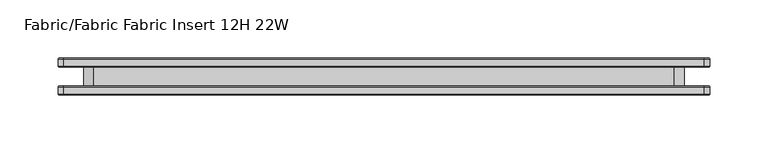
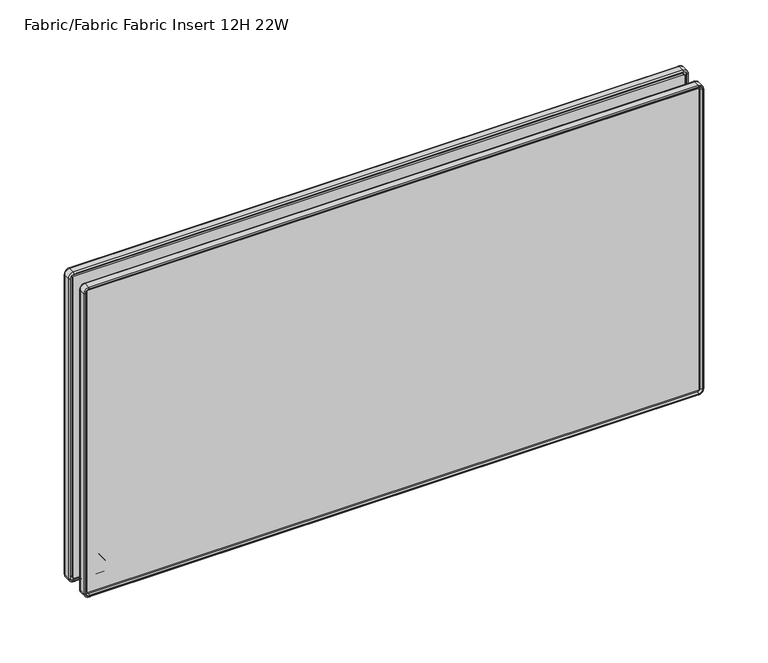
"""IFC4 building model written with IfcOpenShell, lengths in millimetres: furniture geometry, Fabric/Fabric Fabric Insert 12H 22W."""

from ifc_helpers import new_model, si_unit, point, frame, frame_2d, origin, place, context, project, spatial, polyline, circle_curve, ellipse_curve, trimmed, segment, composite_curve, outline, extrude, source, transform, mapped, element, save
from ifc_brep_helpers import plane_surface, cylinder_surface, revolved_surface, advanced_brep


def fabric_fabric_fabric_insert_12h_22w_8825d020(model_context):
    return source(origin(), model_context, "Body", "SolidModel", [
        extrude(outline(composite_curve([segment(trimmed(circle_curve(frame_2d((785.9258601, 60.6967824)), 14.2960031), [point((781.0834991, 47.2458625))], [point((772.4749402, 55.8544214))], False, "CARTESIAN"), True, "CONTINUOUS"), segment(polyline([(772.4749402, 55.8544214), (772.4749402, 553.7455786)]), True, "CONTINUOUS"), segment(trimmed(circle_curve(frame_2d((785.9258601, 548.9032176)), 14.2960031), [point((772.4749402, 553.7455786))], [point((780.5790258, 562.1616892))], False, "CARTESIAN"), True, "CONTINUOUS"), segment(polyline([(780.5790258, 562.1616892), (1019.5568063, 562.1616892)]), True, "CONTINUOUS"), segment(trimmed(circle_curve(frame_2d((1014.209972, 548.9032176)), 14.2960031), [point((1019.5568063, 562.1616892))], [point((1027.6608919, 553.7455786))], False, "CARTESIAN"), True, "CONTINUOUS"), segment(polyline([(1027.6608919, 553.7455786), (1027.6608919, 55.8544214)]), True, "CONTINUOUS"), segment(trimmed(circle_curve(frame_2d((1014.209972, 60.6967824)), 14.2960031), [point((1027.6608919, 55.8544214))], [point((1019.0523331, 47.2458625))], False, "CARTESIAN"), True, "CONTINUOUS"), segment(polyline([(1019.0523331, 47.2458625), (781.0834991, 47.2458625)]), True, "CONTINUOUS")], self_intersect=False)), frame((0.0, -7.9718968, 0.0), z_axis=(0.0, 1.0, 0.0), x_axis=(0.0, 0.0, 1.0)), (0.0, 0.0, 1.0), 15.9437935),
        extrude(outline(composite_curve([segment(trimmed(circle_curve(frame_2d((759.1475985, 29.8962491)), 0.8911416), [point((759.1475985, 29.0051075))], [point((758.256457, 29.8962491))], False, "CARTESIAN"), True, "CONTINUOUS"), segment(polyline([(758.256457, 29.8962491), (758.256457, 579.5091361)]), True, "CONTINUOUS"), segment(trimmed(circle_curve(frame_2d((759.1475985, 579.5091361)), 0.8911416), [point((758.256457, 579.5091361))], [point((759.1475985, 580.4002777))], False, "CARTESIAN"), True, "CONTINUOUS"), segment(polyline([(759.1475985, 580.4002777), (1045.010519, 580.4002777)]), True, "CONTINUOUS"), segment(trimmed(circle_curve(frame_2d((1045.010519, 579.5091361)), 0.8911416), [point((1045.010519, 580.4002777))], [point((1045.9016605, 579.5091361))], False, "CARTESIAN"), True, "CONTINUOUS"), segment(polyline([(1045.9016605, 579.5091361), (1045.9016605, 29.8962491)]), True, "CONTINUOUS"), segment(trimmed(circle_curve(frame_2d((1045.010519, 29.8962491)), 0.8911416), [point((1045.9016605, 29.8962491))], [point((1045.010519, 29.0051075))], False, "CARTESIAN"), True, "CONTINUOUS"), segment(polyline([(1045.010519, 29.0051075), (759.1475985, 29.0051075)]), True, "CONTINUOUS")], self_intersect=False)), frame((0.0, 7.9718968, 0.0), z_axis=(0.0, 1.0, 0.0), x_axis=(0.0, 0.0, 1.0)), (0.0, 0.0, 1.0), 6.1306313),
        extrude(outline(composite_curve([segment(polyline([(1045.010519, 29.0051075), (759.1475985, 29.0051075)]), True, "CONTINUOUS"), segment(trimmed(circle_curve(frame_2d((759.1475985, 29.8962491)), 0.8911416), [point((759.1475985, 29.0051075))], [point((758.256457, 29.8962491))], False, "CARTESIAN"), True, "CONTINUOUS"), segment(polyline([(758.256457, 29.8962491), (758.256457, 579.5091361)]), True, "CONTINUOUS"), segment(trimmed(circle_curve(frame_2d((759.1475985, 579.5091361)), 0.8911416), [point((758.256457, 579.5091361))], [point((759.1475985, 580.4002777))], False, "CARTESIAN"), True, "CONTINUOUS"), segment(polyline([(759.1475985, 580.4002777), (1045.010519, 580.4002777)]), True, "CONTINUOUS"), segment(trimmed(circle_curve(frame_2d((1045.010519, 579.5091361)), 0.8911416), [point((1045.010519, 580.4002777))], [point((1045.9016605, 579.5091361))], False, "CARTESIAN"), True, "CONTINUOUS"), segment(polyline([(1045.9016605, 579.5091361), (1045.9016605, 29.8962491)]), True, "CONTINUOUS"), segment(trimmed(circle_curve(frame_2d((1045.010519, 29.8962491)), 0.8911416), [point((1045.9016605, 29.8962491))], [point((1045.010519, 29.0051075))], False, "CARTESIAN"), True, "CONTINUOUS")], self_intersect=False)), frame((0.0, -14.102528, 0.0), z_axis=(0.0, 1.0, 0.0), x_axis=(0.0, 0.0, 1.0)), (0.0, 0.0, 1.0), 6.1306313),
        advanced_brep(
        [(582.9077917, -7.9718968, 759.1475985), (579.5091361, -7.9718968, 755.7489429), (579.5091361, -9.6721295, 755.7489429), (582.9077917, -9.6721295, 759.1475985), (584.0811361, -9.1452412, 759.1475985), (579.5091361, -9.1452412, 754.5755985), (584.0811361, -14.9826968, 759.1475985), (579.5091361, -14.9826968, 754.5755985), (583.2667038, -15.7971292, 759.1475985), (579.5091361, -15.7971292, 755.3900309), (580.4002777, -9.6721295, 759.1475985), (579.5091361, -9.6721295, 758.256457), (579.5091361, -14.102528, 758.256457), (580.4002777, -14.102528, 759.1475985), (582.9077917, -9.6721295, 1045.010519), (582.9077917, -7.9718968, 1045.010519), (584.0811361, -9.1452412, 1045.010519), (584.0811361, -14.9826968, 1045.010519), (583.2667038, -15.7971292, 1045.010519), (580.4002777, -14.102528, 1045.010519), (580.4002777, -9.6721295, 1045.010519), (579.5091361, -7.9718968, 1048.4091746), (579.5091361, -9.6721295, 1048.4091746), (579.5091361, -9.1452412, 1049.582519), (579.5091361, -14.9826968, 1049.582519), (579.5091361, -15.7971292, 1048.7680866), (579.5091361, -9.6721295, 1045.9016605), (579.5091361, -14.102528, 1045.9016605), (29.8962491, -9.6721295, 1048.4091746), (29.8962491, -7.9718968, 1048.4091746), (29.8962491, -9.1452412, 1049.582519), (29.8962491, -14.9826968, 1049.582519), (29.8962491, -15.7971292, 1048.7680866), (29.8962491, -14.102528, 1045.9016605), (29.8962491, -9.6721295, 1045.9016605), (26.4975935, -7.9718968, 1045.010519), (26.4975935, -9.6721295, 1045.010519), (25.3242491, -9.1452412, 1045.010519), (25.3242491, -14.9826968, 1045.010519), (26.1386815, -15.7971292, 1045.010519), (29.0051075, -9.6721295, 1045.010519), (29.0051075, -14.102528, 1045.010519), (26.4975935, -9.6721295, 759.1475985), (26.4975935, -7.9718968, 759.1475985), (25.3242491, -9.1452412, 759.1475985), (25.3242491, -14.9826968, 759.1475985), (26.1386815, -15.7971292, 759.1475985), (29.0051075, -14.102528, 759.1475985), (29.0051075, -9.6721295, 759.1475985), (29.8962491, -7.9718968, 755.7489429), (29.8962491, -9.6721295, 755.7489429), (29.8962491, -9.1452412, 754.5755985), (29.8962491, -14.9826968, 754.5755985), (29.8962491, -15.7971292, 755.3900309), (29.8962491, -9.6721295, 758.256457), (29.8962491, -14.102528, 758.256457), (579.5091361, -15.7971292, 756.2425504), (29.8962491, -15.7971292, 756.2425504), (26.991201, -15.7971292, 759.1475985), (26.991201, -15.7971292, 1045.010519), (29.8962491, -15.7971292, 1047.9155671), (579.5091361, -15.7971292, 1047.9155671), (582.4141842, -15.7971292, 1045.010519), (582.4141842, -15.7971292, 759.1475985), (581.7973998, -14.102528, 759.1475985), (579.5091361, -14.102528, 756.8593348), (581.7973998, -14.102528, 1045.010519), (579.5091361, -14.102528, 1047.2987827), (29.8962491, -14.102528, 1047.2987827), (27.6079854, -14.102528, 1045.010519), (27.6079854, -14.102528, 759.1475985), (29.8962491, -14.102528, 756.8593348)],
        [
            (0, 1, circle_curve(frame((579.5091361, -7.9718968, 759.1475985), z_axis=(0.0, 1.0, 0.0), x_axis=(0.0, 0.0, -1.0)), 3.3986556)),
            (1, 2),
            (2, 3, circle_curve(frame((579.5091361, -9.6721295, 759.1475985), z_axis=(0.0, -1.0, 0.0), x_axis=(0.0, 0.0, -1.0)), 3.3986556)),
            (3, 0),
            (4, 5, circle_curve(frame((579.5091361, -9.1452412, 759.1475985), z_axis=(0.0, 1.0, 0.0), x_axis=(0.0, 0.0, -1.0)), 4.572)),
            (5, 1, circle_curve(frame((579.5091361, -9.1452412, 755.7489429), z_axis=(1.0, 0.0, 0.0), x_axis=(0.0, 0.0, 1.0)), 1.1733444)),
            (0, 4, circle_curve(frame((582.9077917, -9.1452412, 759.1475985), z_axis=(0.0, 0.0, -1.0), x_axis=(-1.0, 0.0, 0.0)), 1.1733444)),
            (6, 7, circle_curve(frame((579.5091361, -14.9826968, 759.1475985), z_axis=(0.0, 1.0, 0.0), x_axis=(0.0, 0.0, -1.0)), 4.572)),
            (7, 5),
            (4, 6),
            (8, 9, circle_curve(frame((579.5091361, -15.7971292, 759.1475985), z_axis=(0.0, 1.0, 0.0), x_axis=(0.0, 0.0, -1.0)), 3.7575676)),
            (9, 7, circle_curve(frame((579.5091361, -14.9826968, 755.3900309), z_axis=(1.0, 0.0, 0.0), x_axis=(0.0, 0.0, 1.0)), 0.8144324)),
            (6, 8, circle_curve(frame((583.2667038, -14.9826968, 759.1475985), z_axis=(0.0, 0.0, -1.0), x_axis=(-1.0, 0.0, 0.0)), 0.8144324)),
            (10, 11, circle_curve(frame((579.5091361, -9.6721295, 759.1475985), z_axis=(0.0, 1.0, 0.0), x_axis=(0.0, 0.0, -1.0)), 0.8911416)),
            (11, 12),
            (12, 13, circle_curve(frame((579.5091361, -14.102528, 759.1475985), z_axis=(0.0, -1.0, 0.0), x_axis=(0.0, 0.0, -1.0)), 0.8911416)),
            (13, 10),
            (3, 14),
            (14, 15),
            (15, 0),
            (15, 16, circle_curve(frame((582.9077917, -9.1452412, 1045.010519), z_axis=(0.0, 0.0, -1.0), x_axis=(-1.0, 0.0, 0.0)), 1.1733444)),
            (16, 4),
            (16, 17),
            (17, 6),
            (17, 18, circle_curve(frame((583.2667038, -14.9826968, 1045.010519), z_axis=(0.0, 0.0, -1.0), x_axis=(-1.0, 0.0, 0.0)), 0.8144324)),
            (18, 8),
            (13, 19),
            (19, 20),
            (20, 10),
            (21, 15, circle_curve(frame((579.5091361, -7.9718968, 1045.010519), z_axis=(0.0, 1.0, 0.0), x_axis=(1.0, 0.0, 0.0)), 3.3986556)),
            (14, 22, circle_curve(frame((579.5091361, -9.6721295, 1045.010519), z_axis=(0.0, -1.0, 0.0), x_axis=(1.0, 0.0, 0.0)), 3.3986556)),
            (22, 21),
            (23, 16, circle_curve(frame((579.5091361, -9.1452412, 1045.010519), z_axis=(0.0, 1.0, 0.0), x_axis=(1.0, 0.0, 0.0)), 4.572)),
            (21, 23, circle_curve(frame((579.5091361, -9.1452412, 1048.4091746), z_axis=(1.0, 0.0, 0.0), x_axis=(0.0, 0.0, -1.0)), 1.1733444)),
            (24, 17, circle_curve(frame((579.5091361, -14.9826968, 1045.010519), z_axis=(0.0, 1.0, 0.0), x_axis=(1.0, 0.0, 0.0)), 4.572)),
            (23, 24),
            (25, 18, circle_curve(frame((579.5091361, -15.7971292, 1045.010519), z_axis=(0.0, 1.0, 0.0), x_axis=(1.0, 0.0, 0.0)), 3.7575676)),
            (24, 25, circle_curve(frame((579.5091361, -14.9826968, 1048.7680866), z_axis=(1.0, 0.0, 0.0), x_axis=(0.0, 0.0, -1.0)), 0.8144324)),
            (26, 20, circle_curve(frame((579.5091361, -9.6721295, 1045.010519), z_axis=(0.0, 1.0, 0.0), x_axis=(1.0, 0.0, 0.0)), 0.8911416)),
            (19, 27, circle_curve(frame((579.5091361, -14.102528, 1045.010519), z_axis=(0.0, -1.0, 0.0), x_axis=(1.0, 0.0, 0.0)), 0.8911416)),
            (27, 26),
            (22, 28),
            (28, 29),
            (29, 21),
            (29, 30, circle_curve(frame((29.8962491, -9.1452412, 1048.4091746), z_axis=(1.0, 0.0, 0.0), x_axis=(0.0, 0.0, -1.0)), 1.1733444)),
            (30, 23),
            (30, 31),
            (31, 24),
            (31, 32, circle_curve(frame((29.8962491, -14.9826968, 1048.7680866), z_axis=(1.0, 0.0, 0.0), x_axis=(0.0, 0.0, -1.0)), 0.8144324)),
            (32, 25),
            (27, 33),
            (33, 34),
            (34, 26),
            (35, 29, circle_curve(frame((29.8962491, -7.9718968, 1045.010519), z_axis=(0.0, 1.0, 0.0), x_axis=(0.0, 0.0, 1.0)), 3.3986556)),
            (28, 36, circle_curve(frame((29.8962491, -9.6721295, 1045.010519), z_axis=(0.0, -1.0, 0.0), x_axis=(0.0, 0.0, 1.0)), 3.3986556)),
            (36, 35),
            (37, 30, circle_curve(frame((29.8962491, -9.1452412, 1045.010519), z_axis=(0.0, 1.0, 0.0), x_axis=(0.0, 0.0, 1.0)), 4.572)),
            (35, 37, circle_curve(frame((26.4975935, -9.1452412, 1045.010519), z_axis=(0.0, 0.0, 1.0), x_axis=(1.0, 0.0, 0.0)), 1.1733444)),
            (38, 31, circle_curve(frame((29.8962491, -14.9826968, 1045.010519), z_axis=(0.0, 1.0, 0.0), x_axis=(0.0, 0.0, 1.0)), 4.572)),
            (37, 38),
            (39, 32, circle_curve(frame((29.8962491, -15.7971292, 1045.010519), z_axis=(0.0, 1.0, 0.0), x_axis=(0.0, 0.0, 1.0)), 3.7575676)),
            (38, 39, circle_curve(frame((26.1386815, -14.9826968, 1045.010519), z_axis=(0.0, 0.0, 1.0), x_axis=(1.0, 0.0, 0.0)), 0.8144324)),
            (40, 34, circle_curve(frame((29.8962491, -9.6721295, 1045.010519), z_axis=(0.0, 1.0, 0.0), x_axis=(0.0, 0.0, 1.0)), 0.8911416)),
            (33, 41, circle_curve(frame((29.8962491, -14.102528, 1045.010519), z_axis=(0.0, -1.0, 0.0), x_axis=(0.0, 0.0, 1.0)), 0.8911416)),
            (41, 40),
            (36, 42),
            (42, 43),
            (43, 35),
            (43, 44, circle_curve(frame((26.4975935, -9.1452412, 759.1475985), z_axis=(0.0, 0.0, 1.0), x_axis=(1.0, 0.0, 0.0)), 1.1733444)),
            (44, 37),
            (44, 45),
            (45, 38),
            (45, 46, circle_curve(frame((26.1386815, -14.9826968, 759.1475985), z_axis=(0.0, 0.0, 1.0), x_axis=(1.0, 0.0, 0.0)), 0.8144324)),
            (46, 39),
            (41, 47),
            (47, 48),
            (48, 40),
            (49, 43, circle_curve(frame((29.8962491, -7.9718968, 759.1475985), z_axis=(0.0, 1.0, 0.0), x_axis=(-1.0, 0.0, 0.0)), 3.3986556)),
            (42, 50, circle_curve(frame((29.8962491, -9.6721295, 759.1475985), z_axis=(0.0, -1.0, 0.0), x_axis=(-1.0, 0.0, 0.0)), 3.3986556)),
            (50, 49),
            (51, 44, circle_curve(frame((29.8962491, -9.1452412, 759.1475985), z_axis=(0.0, 1.0, 0.0), x_axis=(-1.0, 0.0, 0.0)), 4.572)),
            (49, 51, circle_curve(frame((29.8962491, -9.1452412, 755.7489429), z_axis=(-1.0, 0.0, 0.0), x_axis=(0.0, 0.0, 1.0)), 1.1733444)),
            (52, 45, circle_curve(frame((29.8962491, -14.9826968, 759.1475985), z_axis=(0.0, 1.0, 0.0), x_axis=(-1.0, 0.0, 0.0)), 4.572)),
            (51, 52),
            (53, 46, circle_curve(frame((29.8962491, -15.7971292, 759.1475985), z_axis=(0.0, 1.0, 0.0), x_axis=(-1.0, 0.0, 0.0)), 3.7575676)),
            (52, 53, circle_curve(frame((29.8962491, -14.9826968, 755.3900309), z_axis=(-1.0, 0.0, 0.0), x_axis=(0.0, 0.0, 1.0)), 0.8144324)),
            (54, 48, circle_curve(frame((29.8962491, -9.6721295, 759.1475985), z_axis=(0.0, 1.0, 0.0), x_axis=(-1.0, 0.0, 0.0)), 0.8911416)),
            (47, 55, circle_curve(frame((29.8962491, -14.102528, 759.1475985), z_axis=(0.0, -1.0, 0.0), x_axis=(-1.0, 0.0, 0.0)), 0.8911416)),
            (55, 54),
            (2, 50),
            (54, 11),
            (1, 49),
            (5, 51),
            (7, 52),
            (9, 53),
            (56, 57),
            (57, 58, circle_curve(frame((29.8962491, -15.7971292, 759.1475985), z_axis=(0.0, 1.0, 0.0), x_axis=(-1.0, 0.0, 0.0)), 2.9050481)),
            (58, 59),
            (59, 60, circle_curve(frame((29.8962491, -15.7971292, 1045.010519), z_axis=(0.0, 1.0, 0.0), x_axis=(0.0, 0.0, 1.0)), 2.9050481)),
            (60, 61),
            (61, 62, circle_curve(frame((579.5091361, -15.7971292, 1045.010519), z_axis=(0.0, 1.0, 0.0), x_axis=(1.0, 0.0, 0.0)), 2.9050481)),
            (62, 63),
            (63, 56, circle_curve(frame((579.5091361, -15.7971292, 759.1475985), z_axis=(0.0, 1.0, 0.0), x_axis=(0.0, 0.0, -1.0)), 2.9050481)),
            (55, 12),
            (64, 65, circle_curve(frame((579.5091361, -14.102528, 759.1475985), z_axis=(0.0, 1.0, 0.0), x_axis=(0.0, 0.0, -1.0)), 2.2882637)),
            (65, 56),
            (63, 64),
            (62, 66),
            (66, 64),
            (67, 66, circle_curve(frame((579.5091361, -14.102528, 1045.010519), z_axis=(0.0, 1.0, 0.0), x_axis=(1.0, 0.0, 0.0)), 2.2882637)),
            (61, 67),
            (60, 68),
            (68, 67),
            (69, 68, circle_curve(frame((29.8962491, -14.102528, 1045.010519), z_axis=(0.0, 1.0, 0.0), x_axis=(0.0, 0.0, 1.0)), 2.2882637)),
            (59, 69),
            (58, 70),
            (70, 69),
            (71, 70, circle_curve(frame((29.8962491, -14.102528, 759.1475985), z_axis=(0.0, 1.0, 0.0), x_axis=(-1.0, 0.0, 0.0)), 2.2882637)),
            (57, 71),
            (65, 71),
        ],
        [
            revolved_surface(polyline([(579.5091361, -9.6721295, 755.7489429), (579.5091361, -7.9718968, 755.7489429)]), (579.5091361, 0.0, 759.1475985), (0.0, -1.0, 0.0)),
            revolved_surface(trimmed(ellipse_curve(frame((579.5091361, -9.1452412, 755.7489429), z_axis=(-1.0, 0.0, 0.0), x_axis=(0.0, 0.0, 1.0)), 1.1733444, 1.1733444), [point((579.5091361, -7.9718968, 755.7489429))], [point((579.5091361, -9.1452412, 754.5755985))], True, "CARTESIAN"), (579.5091361, 0.0, 759.1475985), (0.0, -1.0, 0.0)),
            cylinder_surface(frame((579.5091361, 0.0, 759.1475985), z_axis=(0.0, -1.0, 0.0), x_axis=(0.0, 0.0, -1.0)), 4.572),
            revolved_surface(trimmed(ellipse_curve(frame((579.5091361, -14.9826968, 755.3900309), z_axis=(-1.0, 0.0, 0.0), x_axis=(0.0, 0.0, 1.0)), 0.8144324, 0.8144324), [point((579.5091361, -14.9826968, 754.5755985))], [point((579.5091361, -15.7971292, 755.3900309))], True, "CARTESIAN"), (579.5091361, 0.0, 759.1475985), (0.0, -1.0, 0.0)),
            revolved_surface(polyline([(579.5091361, -14.102528, 758.2564569), (579.5091361, -9.6721295, 758.2564569)]), (579.5091361, 0.0, 759.1475985), (0.0, -1.0, 0.0)),
            plane_surface(frame((582.9077917, -9.6721295, 759.1475985), z_axis=(-1.0, 0.0, 0.0), x_axis=(0.0, 0.0, 1.0))),
            cylinder_surface(frame((582.9077917, -9.1452412, 759.1475985), z_axis=(0.0, 0.0, -1.0), x_axis=(-1.0, 0.0, 0.0)), 1.1733444),
            plane_surface(frame((584.0811361, -9.1452412, 759.1475985), z_axis=(1.0, 0.0, 0.0), x_axis=(0.0, 0.0, 1.0))),
            cylinder_surface(frame((583.2667038, -14.9826968, 759.1475985), z_axis=(0.0, 0.0, -1.0), x_axis=(-1.0, 0.0, 0.0)), 0.8144324),
            plane_surface(frame((580.4002777, -14.102528, 759.1475985), z_axis=(-1.0, 0.0, 0.0), x_axis=(0.0, 0.0, 1.0))),
            revolved_surface(polyline([(582.9077917, -9.6721295, 1045.010519), (582.9077917, -7.9718968, 1045.010519)]), (579.5091361, 0.0, 1045.010519), (0.0, -1.0, 0.0)),
            revolved_surface(trimmed(ellipse_curve(frame((582.9077917, -9.1452412, 1045.010519), z_axis=(0.0, 0.0, -1.0), x_axis=(-1.0, 0.0, 0.0)), 1.1733444, 1.1733444), [point((582.9077917, -7.9718968, 1045.010519))], [point((584.0811361, -9.1452412, 1045.010519))], True, "CARTESIAN"), (579.5091361, 0.0, 1045.010519), (0.0, -1.0, 0.0)),
            cylinder_surface(frame((579.5091361, 0.0, 1045.010519), z_axis=(0.0, -1.0, 0.0), x_axis=(1.0, 0.0, 0.0)), 4.572),
            revolved_surface(trimmed(ellipse_curve(frame((583.2667038, -14.9826968, 1045.010519), z_axis=(0.0, 0.0, -1.0), x_axis=(-1.0, 0.0, 0.0)), 0.8144324, 0.8144324), [point((584.0811361, -14.9826968, 1045.010519))], [point((583.2667038, -15.7971292, 1045.010519))], True, "CARTESIAN"), (579.5091361, 0.0, 1045.010519), (0.0, -1.0, 0.0)),
            revolved_surface(polyline([(580.4002777, -14.102528, 1045.010519), (580.4002777, -9.6721295, 1045.010519)]), (579.5091361, 0.0, 1045.010519), (0.0, -1.0, 0.0)),
            plane_surface(frame((579.5091361, -9.6721295, 1048.4091746), z_axis=(0.0, 0.0, -1.0), x_axis=(-1.0, 0.0, 0.0))),
            cylinder_surface(frame((579.5091361, -9.1452412, 1048.4091746), z_axis=(1.0, 0.0, 0.0), x_axis=(0.0, 0.0, -1.0)), 1.1733444),
            plane_surface(frame((579.5091361, -9.1452412, 1049.582519), z_axis=(0.0, 0.0, 1.0), x_axis=(-1.0, 0.0, 0.0))),
            cylinder_surface(frame((579.5091361, -14.9826968, 1048.7680866), z_axis=(1.0, 0.0, 0.0), x_axis=(0.0, 0.0, -1.0)), 0.8144324),
            plane_surface(frame((579.5091361, -14.102528, 1045.9016605), z_axis=(0.0, 0.0, -1.0), x_axis=(-1.0, 0.0, 0.0))),
            revolved_surface(polyline([(29.8962491, -9.6721295, 1048.4091746), (29.8962491, -7.9718968, 1048.4091746)]), (29.8962491, 0.0, 1045.010519), (0.0, -1.0, 0.0)),
            revolved_surface(trimmed(ellipse_curve(frame((29.8962491, -9.1452412, 1048.4091746), z_axis=(1.0, 0.0, 0.0), x_axis=(0.0, 0.0, -1.0)), 1.1733444, 1.1733444), [point((29.8962491, -7.9718968, 1048.4091746))], [point((29.8962491, -9.1452412, 1049.582519))], True, "CARTESIAN"), (29.8962491, 0.0, 1045.010519), (0.0, -1.0, 0.0)),
            cylinder_surface(frame((29.8962491, 0.0, 1045.010519), z_axis=(0.0, -1.0, 0.0), x_axis=(0.0, 0.0, 1.0)), 4.572),
            revolved_surface(trimmed(ellipse_curve(frame((29.8962491, -14.9826968, 1048.7680866), z_axis=(1.0, 0.0, 0.0), x_axis=(0.0, 0.0, -1.0)), 0.8144324, 0.8144324), [point((29.8962491, -14.9826968, 1049.582519))], [point((29.8962491, -15.7971292, 1048.7680866))], True, "CARTESIAN"), (29.8962491, 0.0, 1045.010519), (0.0, -1.0, 0.0)),
            revolved_surface(polyline([(29.8962491, -14.102528, 1045.9016606), (29.8962491, -9.6721295, 1045.9016606)]), (29.8962491, 0.0, 1045.010519), (0.0, -1.0, 0.0)),
            plane_surface(frame((26.4975935, -9.6721295, 1045.010519), z_axis=(1.0, 0.0, 0.0), x_axis=(0.0, 0.0, -1.0))),
            cylinder_surface(frame((26.4975935, -9.1452412, 1045.010519), z_axis=(0.0, 0.0, 1.0), x_axis=(1.0, 0.0, 0.0)), 1.1733444),
            plane_surface(frame((25.3242491, -9.1452412, 1045.010519), z_axis=(-1.0, 0.0, 0.0), x_axis=(0.0, 0.0, -1.0))),
            cylinder_surface(frame((26.1386815, -14.9826968, 1045.010519), z_axis=(0.0, 0.0, 1.0), x_axis=(1.0, 0.0, 0.0)), 0.8144324),
            plane_surface(frame((29.0051075, -14.102528, 1045.010519), z_axis=(1.0, 0.0, 0.0), x_axis=(0.0, 0.0, -1.0))),
            revolved_surface(polyline([(26.497593499999997, -9.6721295, 759.1475985), (26.497593499999997, -7.9718968, 759.1475985)]), (29.8962491, 0.0, 759.1475985), (0.0, -1.0, 0.0)),
            revolved_surface(trimmed(ellipse_curve(frame((26.4975935, -9.1452412, 759.1475985), z_axis=(0.0, 0.0, 1.0), x_axis=(1.0, 0.0, 0.0)), 1.1733444, 1.1733444), [point((26.4975935, -7.9718968, 759.1475985))], [point((25.3242491, -9.1452412, 759.1475985))], True, "CARTESIAN"), (29.8962491, 0.0, 759.1475985), (0.0, -1.0, 0.0)),
            cylinder_surface(frame((29.8962491, 0.0, 759.1475985), z_axis=(0.0, -1.0, 0.0), x_axis=(-1.0, 0.0, 0.0)), 4.572),
            revolved_surface(trimmed(ellipse_curve(frame((26.1386815, -14.9826968, 759.1475985), z_axis=(0.0, 0.0, 1.0), x_axis=(1.0, 0.0, 0.0)), 0.8144324, 0.8144324), [point((25.3242491, -14.9826968, 759.1475985))], [point((26.1386815, -15.7971292, 759.1475985))], True, "CARTESIAN"), (29.8962491, 0.0, 759.1475985), (0.0, -1.0, 0.0)),
            revolved_surface(polyline([(29.005107499999998, -14.102528, 759.1475985), (29.005107499999998, -9.6721295, 759.1475985)]), (29.8962491, 0.0, 759.1475985), (0.0, -1.0, 0.0)),
            plane_surface(frame((29.8962491, -9.6721295, 758.256457), z_axis=(0.0, 1.0, 0.0), x_axis=(1.0, 0.0, 0.0))),
            plane_surface(frame((29.8962491, -9.6721295, 755.7489429), z_axis=(0.0, 0.0, 1.0), x_axis=(1.0, 0.0, 0.0))),
            cylinder_surface(frame((29.8962491, -9.1452412, 755.7489429), z_axis=(-1.0, 0.0, 0.0), x_axis=(0.0, 0.0, 1.0)), 1.1733444),
            plane_surface(frame((29.8962491, -9.1452412, 754.5755985), z_axis=(0.0, 0.0, -1.0), x_axis=(1.0, 0.0, 0.0))),
            cylinder_surface(frame((29.8962491, -14.9826968, 755.3900309), z_axis=(-1.0, 0.0, 0.0), x_axis=(0.0, 0.0, 1.0)), 0.8144324),
            plane_surface(frame((29.8962491, -15.7971292, 755.3900309), z_axis=(0.0, -1.0, 0.0), x_axis=(1.0, 0.0, 0.0))),
            plane_surface(frame((29.8962491, -14.102528, 758.256457), z_axis=(0.0, 0.0, 1.0), x_axis=(1.0, 0.0, 0.0))),
            revolved_surface(polyline([(579.5091361, -15.7971292, 756.2425504), (579.5091361, -14.102528, 756.8593348)]), (579.5091361, 0.0, 759.1475985), (0.0, -1.0, 0.0)),
            plane_surface(frame((582.4141842, -15.7971292, 759.1475985), z_axis=(-0.9396926207859183, -0.34202014332564146, 0.0), x_axis=(0.0, 0.0, 1.0))),
            revolved_surface(polyline([(582.4141842, -15.7971292, 1045.010519), (581.7973998, -14.102528, 1045.010519)]), (579.5091361, 0.0, 1045.010519), (0.0, -1.0, 0.0)),
            plane_surface(frame((579.5091361, -15.7971292, 1047.9155671), z_axis=(0.0, -0.34202014332564146, -0.9396926207859183), x_axis=(-1.0, 0.0, 0.0))),
            revolved_surface(polyline([(29.8962491, -15.7971292, 1047.9155671), (29.8962491, -14.102528, 1047.2987827)]), (29.8962491, 0.0, 1045.010519), (0.0, -1.0, 0.0)),
            plane_surface(frame((26.991201, -15.7971292, 1045.010519), z_axis=(0.9396926207859183, -0.34202014332564146, 0.0), x_axis=(0.0, 0.0, -1.0))),
            revolved_surface(polyline([(26.991201, -15.7971292, 759.1475985), (27.6079854, -14.102528, 759.1475985)]), (29.8962491, 0.0, 759.1475985), (0.0, -1.0, 0.0)),
            plane_surface(frame((29.8962491, -15.7971292, 756.2425504), z_axis=(0.0, -0.34202014332564146, 0.9396926207859183), x_axis=(1.0, 0.0, 0.0))),
            plane_surface(frame((29.8962491, -14.102528, 756.8593348), z_axis=(0.0, -1.0, 0.0), x_axis=(1.0, 0.0, 0.0))),
        ],
        [
            (0, [[1, 2, 3, 4]]),
            (1, [[5, 6, -1, 7]]),
            (2, [[8, 9, -5, 10]]),
            (3, [[11, 12, -8, 13]]),
            (4, [[14, 15, 16, 17]]),
            (5, [[-4, 18, 19, 20]]),
            (6, [[-7, -20, 21, 22]]),
            (7, [[-10, -22, 23, 24]]),
            (8, [[-13, -24, 25, 26]]),
            (9, [[-17, 27, 28, 29]]),
            (10, [[30, -19, 31, 32]]),
            (11, [[33, -21, -30, 34]]),
            (12, [[35, -23, -33, 36]]),
            (13, [[37, -25, -35, 38]]),
            (14, [[39, -28, 40, 41]]),
            (15, [[-32, 42, 43, 44]]),
            (16, [[-34, -44, 45, 46]]),
            (17, [[-36, -46, 47, 48]]),
            (18, [[-38, -48, 49, 50]]),
            (19, [[-41, 51, 52, 53]]),
            (20, [[54, -43, 55, 56]]),
            (21, [[57, -45, -54, 58]]),
            (22, [[59, -47, -57, 60]]),
            (23, [[61, -49, -59, 62]]),
            (24, [[63, -52, 64, 65]]),
            (25, [[-56, 66, 67, 68]]),
            (26, [[-58, -68, 69, 70]]),
            (27, [[-60, -70, 71, 72]]),
            (28, [[-62, -72, 73, 74]]),
            (29, [[-65, 75, 76, 77]]),
            (30, [[78, -67, 79, 80]]),
            (31, [[81, -69, -78, 82]]),
            (32, [[83, -71, -81, 84]]),
            (33, [[85, -73, -83, 86]]),
            (34, [[87, -76, 88, 89]]),
            (35, [[90, -79, -66, -55, -42, -31, -18, -3], [-77, -87, 91, -14, -29, -39, -53, -63]]),
            (36, [[-80, -90, -2, 92]]),
            (37, [[-82, -92, -6, 93]]),
            (38, [[-84, -93, -9, 94]]),
            (39, [[-86, -94, -12, 95]]),
            (40, [[-74, -85, -95, -11, -26, -37, -50, -61], [96, 97, 98, 99, 100, 101, 102, 103]]),
            (41, [[-89, 104, -15, -91]]),
            (42, [[105, 106, -103, 107]]),
            (43, [[-107, -102, 108, 109]]),
            (44, [[110, -108, -101, 111]]),
            (45, [[-111, -100, 112, 113]]),
            (46, [[114, -112, -99, 115]]),
            (47, [[-115, -98, 116, 117]]),
            (48, [[118, -116, -97, 119]]),
            (49, [[-119, -96, -106, 120]]),
            (50, [[-117, -118, -120, -105, -109, -110, -113, -114], [-104, -88, -75, -64, -51, -40, -27, -16]]),
        ],
    ),
        advanced_brep(
        [(580.4002777, 14.102528, 759.1475985), (579.5091361, 14.102528, 758.256457), (579.5091361, 9.6721295, 758.256457), (580.4002777, 9.6721295, 759.1475985), (582.4141842, 15.7971292, 759.1475985), (579.5091361, 15.7971292, 756.2425504), (579.5091361, 14.102528, 756.8593348), (581.7973998, 14.102528, 759.1475985), (584.0811361, 14.9826968, 759.1475985), (579.5091361, 14.9826968, 754.5755985), (579.5091361, 15.7971292, 755.3900309), (583.2667038, 15.7971292, 759.1475985), (584.0811361, 9.1452412, 759.1475985), (579.5091361, 9.1452412, 754.5755985), (582.9077917, 7.9718968, 759.1475985), (579.5091361, 7.9718968, 755.7489429), (582.9077917, 9.6721295, 759.1475985), (579.5091361, 9.6721295, 755.7489429), (580.4002777, 9.6721295, 1045.010519), (580.4002777, 14.102528, 1045.010519), (581.7973998, 14.102528, 1045.010519), (582.4141842, 15.7971292, 1045.010519), (583.2667038, 15.7971292, 1045.010519), (584.0811361, 14.9826968, 1045.010519), (584.0811361, 9.1452412, 1045.010519), (582.9077917, 7.9718968, 1045.010519), (582.9077917, 9.6721295, 1045.010519), (579.5091361, 14.102528, 1045.9016605), (579.5091361, 9.6721295, 1045.9016605), (579.5091361, 15.7971292, 1047.9155671), (579.5091361, 14.102528, 1047.2987827), (579.5091361, 14.9826968, 1049.582519), (579.5091361, 15.7971292, 1048.7680866), (579.5091361, 9.1452412, 1049.582519), (579.5091361, 7.9718968, 1048.4091746), (579.5091361, 9.6721295, 1048.4091746), (29.8962491, 9.6721295, 1045.9016605), (29.8962491, 14.102528, 1045.9016605), (29.8962491, 14.102528, 1047.2987827), (29.8962491, 15.7971292, 1047.9155671), (29.8962491, 15.7971292, 1048.7680866), (29.8962491, 14.9826968, 1049.582519), (29.8962491, 9.1452412, 1049.582519), (29.8962491, 7.9718968, 1048.4091746), (29.8962491, 9.6721295, 1048.4091746), (29.0051075, 14.102528, 1045.010519), (29.0051075, 9.6721295, 1045.010519), (26.991201, 15.7971292, 1045.010519), (27.6079854, 14.102528, 1045.010519), (25.3242491, 14.9826968, 1045.010519), (26.1386815, 15.7971292, 1045.010519), (25.3242491, 9.1452412, 1045.010519), (26.4975935, 7.9718968, 1045.010519), (26.4975935, 9.6721295, 1045.010519), (29.0051075, 9.6721295, 759.1475985), (29.0051075, 14.102528, 759.1475985), (27.6079854, 14.102528, 759.1475985), (26.991201, 15.7971292, 759.1475985), (26.1386815, 15.7971292, 759.1475985), (25.3242491, 14.9826968, 759.1475985), (25.3242491, 9.1452412, 759.1475985), (26.4975935, 7.9718968, 759.1475985), (26.4975935, 9.6721295, 759.1475985), (29.8962491, 14.102528, 758.256457), (29.8962491, 9.6721295, 758.256457), (29.8962491, 15.7971292, 756.2425504), (29.8962491, 14.102528, 756.8593348), (29.8962491, 14.9826968, 754.5755985), (29.8962491, 15.7971292, 755.3900309), (29.8962491, 9.1452412, 754.5755985), (29.8962491, 7.9718968, 755.7489429), (29.8962491, 9.6721295, 755.7489429)],
        [
            (0, 1, circle_curve(frame((579.5091361, 14.102528, 759.1475985), z_axis=(0.0, 1.0, 0.0), x_axis=(0.0, 0.0, -1.0)), 0.8911416)),
            (1, 2),
            (2, 3, circle_curve(frame((579.5091361, 9.6721295, 759.1475985), z_axis=(0.0, -1.0, 0.0), x_axis=(0.0, 0.0, -1.0)), 0.8911416)),
            (3, 0),
            (4, 5, circle_curve(frame((579.5091361, 15.7971292, 759.1475985), z_axis=(0.0, 1.0, 0.0), x_axis=(0.0, 0.0, -1.0)), 2.9050481)),
            (5, 6),
            (6, 7, circle_curve(frame((579.5091361, 14.102528, 759.1475985), z_axis=(0.0, -1.0, 0.0), x_axis=(0.0, 0.0, -1.0)), 2.2882637)),
            (7, 4),
            (8, 9, circle_curve(frame((579.5091361, 14.9826968, 759.1475985), z_axis=(0.0, 1.0, 0.0), x_axis=(0.0, 0.0, -1.0)), 4.572)),
            (9, 10, circle_curve(frame((579.5091361, 14.9826968, 755.3900309), z_axis=(1.0, 0.0, 0.0), x_axis=(0.0, 0.0, 1.0)), 0.8144324)),
            (10, 11, circle_curve(frame((579.5091361, 15.7971292, 759.1475985), z_axis=(0.0, -1.0, 0.0), x_axis=(0.0, 0.0, -1.0)), 3.7575676)),
            (11, 8, circle_curve(frame((583.2667038, 14.9826968, 759.1475985), z_axis=(0.0, 0.0, -1.0), x_axis=(-1.0, 0.0, 0.0)), 0.8144324)),
            (12, 13, circle_curve(frame((579.5091361, 9.1452412, 759.1475985), z_axis=(0.0, 1.0, 0.0), x_axis=(0.0, 0.0, -1.0)), 4.572)),
            (13, 9),
            (8, 12),
            (14, 15, circle_curve(frame((579.5091361, 7.9718968, 759.1475985), z_axis=(0.0, 1.0, 0.0), x_axis=(0.0, 0.0, -1.0)), 3.3986556)),
            (15, 13, circle_curve(frame((579.5091361, 9.1452412, 755.7489429), z_axis=(1.0, 0.0, 0.0), x_axis=(0.0, 0.0, 1.0)), 1.1733444)),
            (12, 14, circle_curve(frame((582.9077917, 9.1452412, 759.1475985), z_axis=(0.0, 0.0, -1.0), x_axis=(-1.0, 0.0, 0.0)), 1.1733444)),
            (16, 17, circle_curve(frame((579.5091361, 9.6721295, 759.1475985), z_axis=(0.0, 1.0, 0.0), x_axis=(0.0, 0.0, -1.0)), 3.3986556)),
            (17, 15),
            (14, 16),
            (3, 18),
            (18, 19),
            (19, 0),
            (7, 20),
            (20, 21),
            (21, 4),
            (11, 22),
            (22, 23, circle_curve(frame((583.2667038, 14.9826968, 1045.010519), z_axis=(0.0, 0.0, -1.0), x_axis=(-1.0, 0.0, 0.0)), 0.8144324)),
            (23, 8),
            (23, 24),
            (24, 12),
            (24, 25, circle_curve(frame((582.9077917, 9.1452412, 1045.010519), z_axis=(0.0, 0.0, -1.0), x_axis=(-1.0, 0.0, 0.0)), 1.1733444)),
            (25, 14),
            (25, 26),
            (26, 16),
            (27, 19, circle_curve(frame((579.5091361, 14.102528, 1045.010519), z_axis=(0.0, 1.0, 0.0), x_axis=(1.0, 0.0, 0.0)), 0.8911416)),
            (18, 28, circle_curve(frame((579.5091361, 9.6721295, 1045.010519), z_axis=(0.0, -1.0, 0.0), x_axis=(1.0, 0.0, 0.0)), 0.8911416)),
            (28, 27),
            (29, 21, circle_curve(frame((579.5091361, 15.7971292, 1045.010519), z_axis=(0.0, 1.0, 0.0), x_axis=(1.0, 0.0, 0.0)), 2.9050481)),
            (20, 30, circle_curve(frame((579.5091361, 14.102528, 1045.010519), z_axis=(0.0, -1.0, 0.0), x_axis=(1.0, 0.0, 0.0)), 2.2882637)),
            (30, 29),
            (31, 23, circle_curve(frame((579.5091361, 14.9826968, 1045.010519), z_axis=(0.0, 1.0, 0.0), x_axis=(1.0, 0.0, 0.0)), 4.572)),
            (22, 32, circle_curve(frame((579.5091361, 15.7971292, 1045.010519), z_axis=(0.0, -1.0, 0.0), x_axis=(1.0, 0.0, 0.0)), 3.7575676)),
            (32, 31, circle_curve(frame((579.5091361, 14.9826968, 1048.7680866), z_axis=(1.0, 0.0, 0.0), x_axis=(0.0, 0.0, -1.0)), 0.8144324)),
            (33, 24, circle_curve(frame((579.5091361, 9.1452412, 1045.010519), z_axis=(0.0, 1.0, 0.0), x_axis=(1.0, 0.0, 0.0)), 4.572)),
            (31, 33),
            (34, 25, circle_curve(frame((579.5091361, 7.9718968, 1045.010519), z_axis=(0.0, 1.0, 0.0), x_axis=(1.0, 0.0, 0.0)), 3.3986556)),
            (33, 34, circle_curve(frame((579.5091361, 9.1452412, 1048.4091746), z_axis=(1.0, 0.0, 0.0), x_axis=(0.0, 0.0, -1.0)), 1.1733444)),
            (35, 26, circle_curve(frame((579.5091361, 9.6721295, 1045.010519), z_axis=(0.0, 1.0, 0.0), x_axis=(1.0, 0.0, 0.0)), 3.3986556)),
            (34, 35),
            (28, 36),
            (36, 37),
            (37, 27),
            (30, 38),
            (38, 39),
            (39, 29),
            (32, 40),
            (40, 41, circle_curve(frame((29.8962491, 14.9826968, 1048.7680866), z_axis=(1.0, 0.0, 0.0), x_axis=(0.0, 0.0, -1.0)), 0.8144324)),
            (41, 31),
            (41, 42),
            (42, 33),
            (42, 43, circle_curve(frame((29.8962491, 9.1452412, 1048.4091746), z_axis=(1.0, 0.0, 0.0), x_axis=(0.0, 0.0, -1.0)), 1.1733444)),
            (43, 34),
            (43, 44),
            (44, 35),
            (45, 37, circle_curve(frame((29.8962491, 14.102528, 1045.010519), z_axis=(0.0, 1.0, 0.0), x_axis=(0.0, 0.0, 1.0)), 0.8911416)),
            (36, 46, circle_curve(frame((29.8962491, 9.6721295, 1045.010519), z_axis=(0.0, -1.0, 0.0), x_axis=(0.0, 0.0, 1.0)), 0.8911416)),
            (46, 45),
            (47, 39, circle_curve(frame((29.8962491, 15.7971292, 1045.010519), z_axis=(0.0, 1.0, 0.0), x_axis=(0.0, 0.0, 1.0)), 2.9050481)),
            (38, 48, circle_curve(frame((29.8962491, 14.102528, 1045.010519), z_axis=(0.0, -1.0, 0.0), x_axis=(0.0, 0.0, 1.0)), 2.2882637)),
            (48, 47),
            (49, 41, circle_curve(frame((29.8962491, 14.9826968, 1045.010519), z_axis=(0.0, 1.0, 0.0), x_axis=(0.0, 0.0, 1.0)), 4.572)),
            (40, 50, circle_curve(frame((29.8962491, 15.7971292, 1045.010519), z_axis=(0.0, -1.0, 0.0), x_axis=(0.0, 0.0, 1.0)), 3.7575676)),
            (50, 49, circle_curve(frame((26.1386815, 14.9826968, 1045.010519), z_axis=(0.0, 0.0, 1.0), x_axis=(1.0, 0.0, 0.0)), 0.8144324)),
            (51, 42, circle_curve(frame((29.8962491, 9.1452412, 1045.010519), z_axis=(0.0, 1.0, 0.0), x_axis=(0.0, 0.0, 1.0)), 4.572)),
            (49, 51),
            (52, 43, circle_curve(frame((29.8962491, 7.9718968, 1045.010519), z_axis=(0.0, 1.0, 0.0), x_axis=(0.0, 0.0, 1.0)), 3.3986556)),
            (51, 52, circle_curve(frame((26.4975935, 9.1452412, 1045.010519), z_axis=(0.0, 0.0, 1.0), x_axis=(1.0, 0.0, 0.0)), 1.1733444)),
            (53, 44, circle_curve(frame((29.8962491, 9.6721295, 1045.010519), z_axis=(0.0, 1.0, 0.0), x_axis=(0.0, 0.0, 1.0)), 3.3986556)),
            (52, 53),
            (46, 54),
            (54, 55),
            (55, 45),
            (48, 56),
            (56, 57),
            (57, 47),
            (50, 58),
            (58, 59, circle_curve(frame((26.1386815, 14.9826968, 759.1475985), z_axis=(0.0, 0.0, 1.0), x_axis=(1.0, 0.0, 0.0)), 0.8144324)),
            (59, 49),
            (59, 60),
            (60, 51),
            (60, 61, circle_curve(frame((26.4975935, 9.1452412, 759.1475985), z_axis=(0.0, 0.0, 1.0), x_axis=(1.0, 0.0, 0.0)), 1.1733444)),
            (61, 52),
            (61, 62),
            (62, 53),
            (63, 55, circle_curve(frame((29.8962491, 14.102528, 759.1475985), z_axis=(0.0, 1.0, 0.0), x_axis=(-1.0, 0.0, 0.0)), 0.8911416)),
            (54, 64, circle_curve(frame((29.8962491, 9.6721295, 759.1475985), z_axis=(0.0, -1.0, 0.0), x_axis=(-1.0, 0.0, 0.0)), 0.8911416)),
            (64, 63),
            (65, 57, circle_curve(frame((29.8962491, 15.7971292, 759.1475985), z_axis=(0.0, 1.0, 0.0), x_axis=(-1.0, 0.0, 0.0)), 2.9050481)),
            (56, 66, circle_curve(frame((29.8962491, 14.102528, 759.1475985), z_axis=(0.0, -1.0, 0.0), x_axis=(-1.0, 0.0, 0.0)), 2.2882637)),
            (66, 65),
            (67, 59, circle_curve(frame((29.8962491, 14.9826968, 759.1475985), z_axis=(0.0, 1.0, 0.0), x_axis=(-1.0, 0.0, 0.0)), 4.572)),
            (58, 68, circle_curve(frame((29.8962491, 15.7971292, 759.1475985), z_axis=(0.0, -1.0, 0.0), x_axis=(-1.0, 0.0, 0.0)), 3.7575676)),
            (68, 67, circle_curve(frame((29.8962491, 14.9826968, 755.3900309), z_axis=(-1.0, 0.0, 0.0), x_axis=(0.0, 0.0, 1.0)), 0.8144324)),
            (69, 60, circle_curve(frame((29.8962491, 9.1452412, 759.1475985), z_axis=(0.0, 1.0, 0.0), x_axis=(-1.0, 0.0, 0.0)), 4.572)),
            (67, 69),
            (70, 61, circle_curve(frame((29.8962491, 7.9718968, 759.1475985), z_axis=(0.0, 1.0, 0.0), x_axis=(-1.0, 0.0, 0.0)), 3.3986556)),
            (69, 70, circle_curve(frame((29.8962491, 9.1452412, 755.7489429), z_axis=(-1.0, 0.0, 0.0), x_axis=(0.0, 0.0, 1.0)), 1.1733444)),
            (71, 62, circle_curve(frame((29.8962491, 9.6721295, 759.1475985), z_axis=(0.0, 1.0, 0.0), x_axis=(-1.0, 0.0, 0.0)), 3.3986556)),
            (70, 71),
            (64, 2),
            (1, 63),
            (6, 66),
            (5, 65),
            (10, 68),
            (9, 67),
            (13, 69),
            (15, 70),
            (17, 71),
        ],
        [
            revolved_surface(polyline([(579.5091361, 9.6721295, 758.2564569), (579.5091361, 14.102528, 758.2564569)]), (579.5091361, 0.0, 759.1475985), (0.0, -1.0, 0.0)),
            revolved_surface(polyline([(579.5091361, 14.102528, 756.8593348), (579.5091361, 15.7971292, 756.2425504)]), (579.5091361, 0.0, 759.1475985), (0.0, -1.0, 0.0)),
            revolved_surface(trimmed(ellipse_curve(frame((579.5091361, 14.9826968, 755.3900309), z_axis=(-1.0, 0.0, 0.0), x_axis=(0.0, 0.0, 1.0)), 0.8144324, 0.8144324), [point((579.5091361, 15.7971292, 755.3900309))], [point((579.5091361, 14.9826968, 754.5755985))], True, "CARTESIAN"), (579.5091361, 0.0, 759.1475985), (0.0, -1.0, 0.0)),
            cylinder_surface(frame((579.5091361, 0.0, 759.1475985), z_axis=(0.0, -1.0, 0.0), x_axis=(0.0, 0.0, -1.0)), 4.572),
            revolved_surface(trimmed(ellipse_curve(frame((579.5091361, 9.1452412, 755.7489429), z_axis=(-1.0, 0.0, 0.0), x_axis=(0.0, 0.0, 1.0)), 1.1733444, 1.1733444), [point((579.5091361, 9.1452412, 754.5755985))], [point((579.5091361, 7.9718968, 755.7489429))], True, "CARTESIAN"), (579.5091361, 0.0, 759.1475985), (0.0, -1.0, 0.0)),
            revolved_surface(polyline([(579.5091361, 7.9718968, 755.7489429), (579.5091361, 9.6721295, 755.7489429)]), (579.5091361, 0.0, 759.1475985), (0.0, -1.0, 0.0)),
            plane_surface(frame((580.4002777, 9.6721295, 759.1475985), z_axis=(-1.0, 0.0, 0.0), x_axis=(0.0, 0.0, 1.0))),
            plane_surface(frame((581.7973998, 14.102528, 759.1475985), z_axis=(-0.9396926207859183, 0.34202014332564146, 0.0), x_axis=(0.0, 0.0, 1.0))),
            cylinder_surface(frame((583.2667038, 14.9826968, 759.1475985), z_axis=(0.0, 0.0, -1.0), x_axis=(-1.0, 0.0, 0.0)), 0.8144324),
            plane_surface(frame((584.0811361, 14.9826968, 759.1475985), z_axis=(1.0, 0.0, 0.0), x_axis=(0.0, 0.0, 1.0))),
            cylinder_surface(frame((582.9077917, 9.1452412, 759.1475985), z_axis=(0.0, 0.0, -1.0), x_axis=(-1.0, 0.0, 0.0)), 1.1733444),
            plane_surface(frame((582.9077917, 7.9718968, 759.1475985), z_axis=(-1.0, 0.0, 0.0), x_axis=(0.0, 0.0, 1.0))),
            revolved_surface(polyline([(580.4002777, 9.6721295, 1045.010519), (580.4002777, 14.102528, 1045.010519)]), (579.5091361, 0.0, 1045.010519), (0.0, -1.0, 0.0)),
            revolved_surface(polyline([(581.7973998, 14.102528, 1045.010519), (582.4141842, 15.7971292, 1045.010519)]), (579.5091361, 0.0, 1045.010519), (0.0, -1.0, 0.0)),
            revolved_surface(trimmed(ellipse_curve(frame((583.2667038, 14.9826968, 1045.010519), z_axis=(0.0, 0.0, -1.0), x_axis=(-1.0, 0.0, 0.0)), 0.8144324, 0.8144324), [point((583.2667038, 15.7971292, 1045.010519))], [point((584.0811361, 14.9826968, 1045.010519))], True, "CARTESIAN"), (579.5091361, 0.0, 1045.010519), (0.0, -1.0, 0.0)),
            cylinder_surface(frame((579.5091361, 0.0, 1045.010519), z_axis=(0.0, -1.0, 0.0), x_axis=(1.0, 0.0, 0.0)), 4.572),
            revolved_surface(trimmed(ellipse_curve(frame((582.9077917, 9.1452412, 1045.010519), z_axis=(0.0, 0.0, -1.0), x_axis=(-1.0, 0.0, 0.0)), 1.1733444, 1.1733444), [point((584.0811361, 9.1452412, 1045.010519))], [point((582.9077917, 7.9718968, 1045.010519))], True, "CARTESIAN"), (579.5091361, 0.0, 1045.010519), (0.0, -1.0, 0.0)),
            revolved_surface(polyline([(582.9077917, 7.9718968, 1045.010519), (582.9077917, 9.6721295, 1045.010519)]), (579.5091361, 0.0, 1045.010519), (0.0, -1.0, 0.0)),
            plane_surface(frame((579.5091361, 9.6721295, 1045.9016605), z_axis=(0.0, 0.0, -1.0), x_axis=(-1.0, 0.0, 0.0))),
            plane_surface(frame((579.5091361, 14.102528, 1047.2987827), z_axis=(0.0, 0.34202014332564146, -0.9396926207859183), x_axis=(-1.0, 0.0, 0.0))),
            cylinder_surface(frame((579.5091361, 14.9826968, 1048.7680866), z_axis=(1.0, 0.0, 0.0), x_axis=(0.0, 0.0, -1.0)), 0.8144324),
            plane_surface(frame((579.5091361, 14.9826968, 1049.582519), z_axis=(0.0, 0.0, 1.0), x_axis=(-1.0, 0.0, 0.0))),
            cylinder_surface(frame((579.5091361, 9.1452412, 1048.4091746), z_axis=(1.0, 0.0, 0.0), x_axis=(0.0, 0.0, -1.0)), 1.1733444),
            plane_surface(frame((579.5091361, 7.9718968, 1048.4091746), z_axis=(0.0, 0.0, -1.0), x_axis=(-1.0, 0.0, 0.0))),
            revolved_surface(polyline([(29.8962491, 9.6721295, 1045.9016606), (29.8962491, 14.102528, 1045.9016606)]), (29.8962491, 0.0, 1045.010519), (0.0, -1.0, 0.0)),
            revolved_surface(polyline([(29.8962491, 14.102528, 1047.2987827), (29.8962491, 15.7971292, 1047.9155671)]), (29.8962491, 0.0, 1045.010519), (0.0, -1.0, 0.0)),
            revolved_surface(trimmed(ellipse_curve(frame((29.8962491, 14.9826968, 1048.7680866), z_axis=(1.0, 0.0, 0.0), x_axis=(0.0, 0.0, -1.0)), 0.8144324, 0.8144324), [point((29.8962491, 15.7971292, 1048.7680866))], [point((29.8962491, 14.9826968, 1049.582519))], True, "CARTESIAN"), (29.8962491, 0.0, 1045.010519), (0.0, -1.0, 0.0)),
            cylinder_surface(frame((29.8962491, 0.0, 1045.010519), z_axis=(0.0, -1.0, 0.0), x_axis=(0.0, 0.0, 1.0)), 4.572),
            revolved_surface(trimmed(ellipse_curve(frame((29.8962491, 9.1452412, 1048.4091746), z_axis=(1.0, 0.0, 0.0), x_axis=(0.0, 0.0, -1.0)), 1.1733444, 1.1733444), [point((29.8962491, 9.1452412, 1049.582519))], [point((29.8962491, 7.9718968, 1048.4091746))], True, "CARTESIAN"), (29.8962491, 0.0, 1045.010519), (0.0, -1.0, 0.0)),
            revolved_surface(polyline([(29.8962491, 7.9718968, 1048.4091746), (29.8962491, 9.6721295, 1048.4091746)]), (29.8962491, 0.0, 1045.010519), (0.0, -1.0, 0.0)),
            plane_surface(frame((29.0051075, 9.6721295, 1045.010519), z_axis=(1.0, 0.0, 0.0), x_axis=(0.0, 0.0, -1.0))),
            plane_surface(frame((27.6079854, 14.102528, 1045.010519), z_axis=(0.9396926207859183, 0.34202014332564146, 0.0), x_axis=(0.0, 0.0, -1.0))),
            cylinder_surface(frame((26.1386815, 14.9826968, 1045.010519), z_axis=(0.0, 0.0, 1.0), x_axis=(1.0, 0.0, 0.0)), 0.8144324),
            plane_surface(frame((25.3242491, 14.9826968, 1045.010519), z_axis=(-1.0, 0.0, 0.0), x_axis=(0.0, 0.0, -1.0))),
            cylinder_surface(frame((26.4975935, 9.1452412, 1045.010519), z_axis=(0.0, 0.0, 1.0), x_axis=(1.0, 0.0, 0.0)), 1.1733444),
            plane_surface(frame((26.4975935, 7.9718968, 1045.010519), z_axis=(1.0, 0.0, 0.0), x_axis=(0.0, 0.0, -1.0))),
            revolved_surface(polyline([(29.005107499999998, 9.6721295, 759.1475985), (29.005107499999998, 14.102528, 759.1475985)]), (29.8962491, 0.0, 759.1475985), (0.0, -1.0, 0.0)),
            revolved_surface(polyline([(27.6079854, 14.102528, 759.1475985), (26.991201, 15.7971292, 759.1475985)]), (29.8962491, 0.0, 759.1475985), (0.0, -1.0, 0.0)),
            revolved_surface(trimmed(ellipse_curve(frame((26.1386815, 14.9826968, 759.1475985), z_axis=(0.0, 0.0, 1.0), x_axis=(1.0, 0.0, 0.0)), 0.8144324, 0.8144324), [point((26.1386815, 15.7971292, 759.1475985))], [point((25.3242491, 14.9826968, 759.1475985))], True, "CARTESIAN"), (29.8962491, 0.0, 759.1475985), (0.0, -1.0, 0.0)),
            cylinder_surface(frame((29.8962491, 0.0, 759.1475985), z_axis=(0.0, -1.0, 0.0), x_axis=(-1.0, 0.0, 0.0)), 4.572),
            revolved_surface(trimmed(ellipse_curve(frame((26.4975935, 9.1452412, 759.1475985), z_axis=(0.0, 0.0, 1.0), x_axis=(1.0, 0.0, 0.0)), 1.1733444, 1.1733444), [point((25.3242491, 9.1452412, 759.1475985))], [point((26.4975935, 7.9718968, 759.1475985))], True, "CARTESIAN"), (29.8962491, 0.0, 759.1475985), (0.0, -1.0, 0.0)),
            revolved_surface(polyline([(26.497593499999997, 7.9718968, 759.1475985), (26.497593499999997, 9.6721295, 759.1475985)]), (29.8962491, 0.0, 759.1475985), (0.0, -1.0, 0.0)),
            plane_surface(frame((29.8962491, 9.6721295, 758.256457), z_axis=(0.0, 0.0, 1.0), x_axis=(1.0, 0.0, 0.0))),
            plane_surface(frame((29.8962491, 14.102528, 758.256457), z_axis=(0.0, 1.0, 0.0), x_axis=(1.0, 0.0, 0.0))),
            plane_surface(frame((29.8962491, 14.102528, 756.8593348), z_axis=(0.0, 0.34202014332564146, 0.9396926207859183), x_axis=(1.0, 0.0, 0.0))),
            plane_surface(frame((29.8962491, 15.7971292, 756.2425504), z_axis=(0.0, 1.0, 0.0), x_axis=(1.0, 0.0, 0.0))),
            cylinder_surface(frame((29.8962491, 14.9826968, 755.3900309), z_axis=(-1.0, 0.0, 0.0), x_axis=(0.0, 0.0, 1.0)), 0.8144324),
            plane_surface(frame((29.8962491, 14.9826968, 754.5755985), z_axis=(0.0, 0.0, -1.0), x_axis=(1.0, 0.0, 0.0))),
            cylinder_surface(frame((29.8962491, 9.1452412, 755.7489429), z_axis=(-1.0, 0.0, 0.0), x_axis=(0.0, 0.0, 1.0)), 1.1733444),
            plane_surface(frame((29.8962491, 7.9718968, 755.7489429), z_axis=(0.0, 0.0, 1.0), x_axis=(1.0, 0.0, 0.0))),
            plane_surface(frame((29.8962491, 9.6721295, 755.7489429), z_axis=(0.0, -1.0, 0.0), x_axis=(1.0, 0.0, 0.0))),
        ],
        [
            (0, [[1, 2, 3, 4]]),
            (1, [[5, 6, 7, 8]]),
            (2, [[9, 10, 11, 12]]),
            (3, [[13, 14, -9, 15]]),
            (4, [[16, 17, -13, 18]]),
            (5, [[19, 20, -16, 21]]),
            (6, [[-4, 22, 23, 24]]),
            (7, [[-8, 25, 26, 27]]),
            (8, [[-12, 28, 29, 30]]),
            (9, [[-15, -30, 31, 32]]),
            (10, [[-18, -32, 33, 34]]),
            (11, [[-21, -34, 35, 36]]),
            (12, [[37, -23, 38, 39]]),
            (13, [[40, -26, 41, 42]]),
            (14, [[43, -29, 44, 45]]),
            (15, [[46, -31, -43, 47]]),
            (16, [[48, -33, -46, 49]]),
            (17, [[50, -35, -48, 51]]),
            (18, [[-39, 52, 53, 54]]),
            (19, [[-42, 55, 56, 57]]),
            (20, [[-45, 58, 59, 60]]),
            (21, [[-47, -60, 61, 62]]),
            (22, [[-49, -62, 63, 64]]),
            (23, [[-51, -64, 65, 66]]),
            (24, [[67, -53, 68, 69]]),
            (25, [[70, -56, 71, 72]]),
            (26, [[73, -59, 74, 75]]),
            (27, [[76, -61, -73, 77]]),
            (28, [[78, -63, -76, 79]]),
            (29, [[80, -65, -78, 81]]),
            (30, [[-69, 82, 83, 84]]),
            (31, [[-72, 85, 86, 87]]),
            (32, [[-75, 88, 89, 90]]),
            (33, [[-77, -90, 91, 92]]),
            (34, [[-79, -92, 93, 94]]),
            (35, [[-81, -94, 95, 96]]),
            (36, [[97, -83, 98, 99]]),
            (37, [[100, -86, 101, 102]]),
            (38, [[103, -89, 104, 105]]),
            (39, [[106, -91, -103, 107]]),
            (40, [[108, -93, -106, 109]]),
            (41, [[110, -95, -108, 111]]),
            (42, [[-99, 112, -2, 113]]),
            (43, [[114, -101, -85, -71, -55, -41, -25, -7], [-84, -97, -113, -1, -24, -37, -54, -67]]),
            (44, [[-102, -114, -6, 115]]),
            (45, [[116, -104, -88, -74, -58, -44, -28, -11], [-87, -100, -115, -5, -27, -40, -57, -70]]),
            (46, [[-105, -116, -10, 117]]),
            (47, [[-107, -117, -14, 118]]),
            (48, [[-109, -118, -17, 119]]),
            (49, [[-111, -119, -20, 120]]),
            (50, [[-96, -110, -120, -19, -36, -50, -66, -80], [-112, -98, -82, -68, -52, -38, -22, -3]]),
        ],
    ),
    ])


if __name__ == "__main__":
    model = new_model("IFC4")
    model_context = context("Model", 3, world=origin())
    ifc_project = project(units=[si_unit("LENGTHUNIT", "METRE", prefix="MILLI")], contexts=[model_context])
    site = spatial("IfcSite", under=ifc_project)
    building = spatial("IfcBuilding", under=site)
    placement = place(None, origin())
    fabric_fabric_fabric_insert_12h_22w_shape = fabric_fabric_fabric_insert_12h_22w_8825d020(model_context)
    element("IfcFurniture", 1, ObjectType="Fabric/Fabric Fabric Insert 12H 22W", at=placement, inside=building, context=model_context, shape_type="MappedRepresentation", body=[
        mapped(fabric_fabric_fabric_insert_12h_22w_shape, transform((0.0, 0.0, 0.0), x_axis=(1.0, 0.0, 0.0), y_axis=(0.0, 1.0, 0.0), z_axis=(0.0, 0.0, 1.0))),
    ])
    save(model, "model.ifc")
